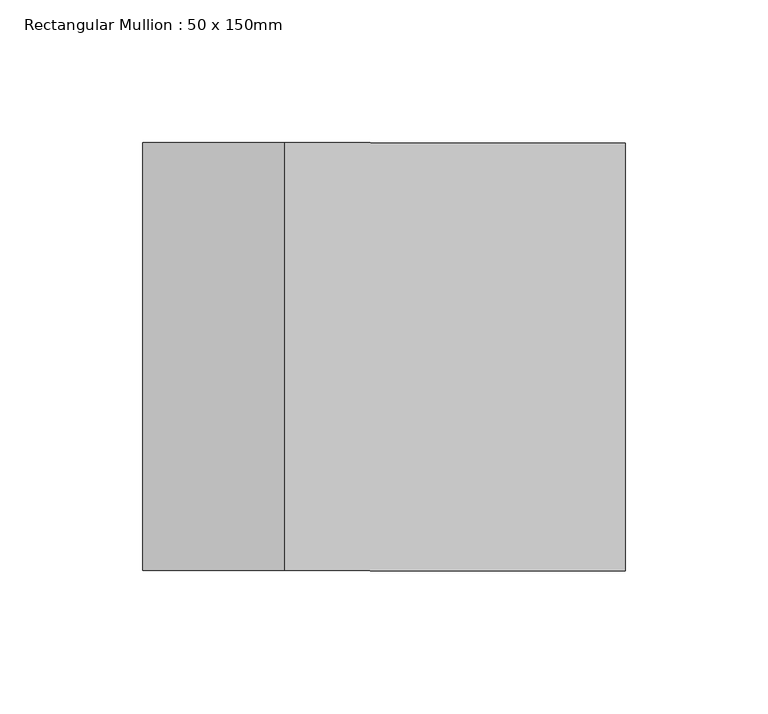
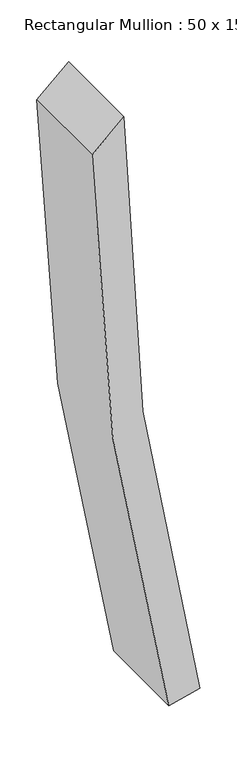
"""IFC4 building model written with IfcOpenShell, lengths in millimetres: member geometry, Rectangular Mullion : 50 x 150mm."""

from ifc_helpers import new_model, si_unit, point, frame, frame_2d, origin, place, context, project, spatial, polyline, circle_curve, trimmed, segment, composite_curve, outline, extrude, source, transform, mapped, element, save


def rectangular_mullion_50_x_150mm_00aefbe9(model_context):
    return source(origin(), model_context, "Body", "SweptSolid", [
        extrude(outline(composite_curve([segment(trimmed(circle_curve(frame_2d((0.0, 4163.3746925)), 4163.3746925), [point((-989.361423, 119.2613404))], [point((0.0, 0.0))], True, "CARTESIAN"), True, "CONTINUOUS"), segment(polyline([(0.0, 0.0), (-45.5459494, -49.7538204)]), True, "CONTINUOUS"), segment(trimmed(circle_curve(frame_2d((0.0, 4163.3746925)), 4213.3746925), [point((-45.5459494, -49.7538204))], [point((-1001.2431475, 70.6936081))], False, "CARTESIAN"), True, "CONTINUOUS"), segment(polyline([(-1001.2431475, 70.6936081), (-989.361423, 119.2613404)]), True, "CONTINUOUS")], self_intersect=False)), frame((0.0, -75.0, 0.0), z_axis=(0.0, 1.0, 0.0), x_axis=(0.0, 0.0, 1.0)), (0.0, 0.0, 1.0), 150.0),
    ])


if __name__ == "__main__":
    model = new_model("IFC4")
    model_context = context("Model", 3, world=origin())
    ifc_project = project(units=[si_unit("LENGTHUNIT", "METRE", prefix="MILLI")], contexts=[model_context])
    site = spatial("IfcSite", under=ifc_project)
    building = spatial("IfcBuilding", under=site)
    placement = place(None, origin())
    rectangular_mullion_50_x_150mm_shape = rectangular_mullion_50_x_150mm_00aefbe9(model_context)
    element("IfcMember", 1, ObjectType="Rectangular Mullion : 50 x 150mm", at=placement, inside=building, context=model_context, shape_type="MappedRepresentation", body=[
        mapped(rectangular_mullion_50_x_150mm_shape, transform((0.0, 0.0, 0.0), x_axis=(1.0, 0.0, 0.0), y_axis=(0.0, 1.0, 0.0), z_axis=(0.0, 0.0, 1.0))),
    ])
    save(model, "model.ifc")
